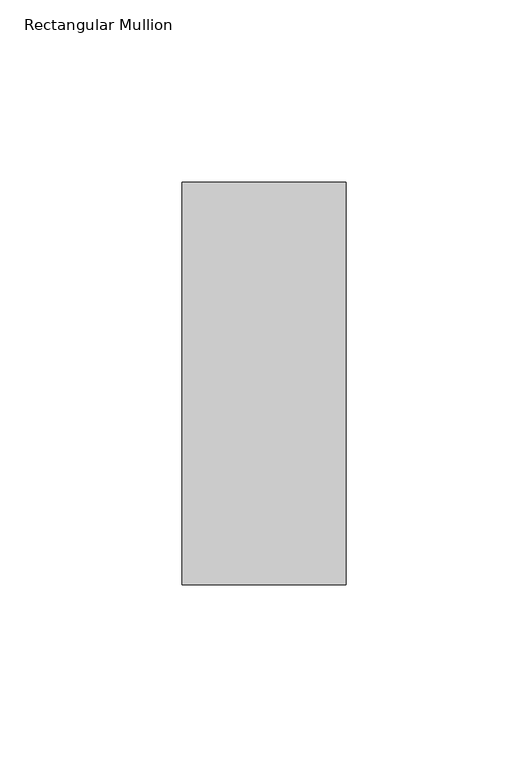
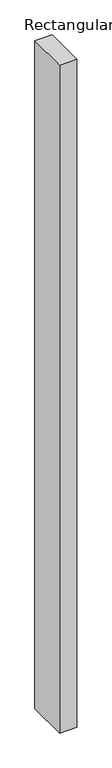
"""IFC4 building model written with IfcOpenShell, lengths in millimetres: member geometry, Rectangular Mullion."""

import ifcopenshell
import ifcopenshell.guid

model = None  # the IFC model being written
_history = None  # IfcOwnerHistory: only IFC2X3 demands one
_inside = {}  # id of a spatial element -> (the spatial element, [elements in it])
_under = {}  # id of a project, library or spatial element -> (it, [spatial elements below it])
_declared = {}  # id of a project -> (the project, [libraries it declares])
_typed = {}  # id of a type object -> (the type object, [elements of that type])
_made_of = {}  # id of a material, layer set ... -> (it, [elements and type objects made of it])


def new_model(schema):
    """Start an empty IFC model of exactly this schema.

    Asked for "IFC4X3", IfcOpenShell would pick the latest addendum, in which some entities
    have other attributes; the version numbers below select the first issue.
    IFC2X3 requires an IfcOwnerHistory on every rooted entity: one is made here for all.
    """
    global model, _history
    if schema == "IFC4X3":
        model = ifcopenshell.file(schema_version=(4, 3, 0, 0))
    else:
        model = ifcopenshell.file(schema=schema)
    _inside.clear()
    _under.clear()
    _declared.clear()
    _typed.clear()
    _made_of.clear()
    _history = None
    if model.schema == "IFC2X3":
        org = make("IfcOrganization", Name="unknown")
        user = make(
            "IfcPersonAndOrganization",
            ThePerson=make("IfcPerson", FamilyName="unknown"),
            TheOrganization=org,
        )
        app = make(
            "IfcApplication",
            ApplicationDeveloper=org,
            Version="unknown",
            ApplicationFullName="unknown",
            ApplicationIdentifier="unknown",
        )
        _history = make(
            "IfcOwnerHistory",
            OwningUser=user,
            OwningApplication=app,
            ChangeAction="ADDED",
            CreationDate=0,
        )
    return model


def make(cls, **values):
    """One entity of the class cls with the attributes given. An attribute that is None is left unset."""
    return model.create_entity(
        cls, **{name: value for name, value in values.items() if value is not None}
    )


def rooted(cls, **values):
    """An entity with a GlobalId (a new one), such as an element, a storey or a relation."""
    return make(cls, GlobalId=ifcopenshell.guid.new(), OwnerHistory=_history, **values)


def si_unit(unit_type, name, prefix=None):
    """IfcSIUnit, for example si_unit("LENGTHUNIT", "METRE", prefix="MILLI")."""
    return make("IfcSIUnit", UnitType=unit_type, Prefix=prefix, Name=name)


def assignment(units):
    """IfcUnitAssignment: the units of a project."""
    return None if units is None else make("IfcUnitAssignment", Units=units)


def point(xyz):
    """IfcCartesianPoint."""
    return None if xyz is None else make("IfcCartesianPoint", Coordinates=xyz)


def direction(xyz):
    """IfcDirection."""
    return None if xyz is None else make("IfcDirection", DirectionRatios=xyz)


def frame(location, z_axis=None, x_axis=None):
    """IfcAxis2Placement3D, a coordinate frame: its origin and axes. An axis left out is left unset."""
    return make(
        "IfcAxis2Placement3D",
        Location=point(location),
        Axis=direction(z_axis),
        RefDirection=direction(x_axis),
    )


def origin():
    """The frame at (0, 0, 0) with its axes left unset."""
    return frame((0.0, 0.0, 0.0))


def place(relative_to, where):
    """IfcLocalPlacement: puts the frame where relative to a parent placement (None: the world)."""
    return make(
        "IfcLocalPlacement", PlacementRelTo=relative_to, RelativePlacement=where
    )


def context(
    kind, dimensions, precision=None, world=None, true_north=None, identifier=None
):
    """IfcGeometricRepresentationContext, for example the 3D "Model" context."""
    return make(
        "IfcGeometricRepresentationContext",
        ContextIdentifier=identifier,
        ContextType=kind,
        CoordinateSpaceDimension=dimensions,
        Precision=precision,
        WorldCoordinateSystem=world,
        TrueNorth=true_north,
    )


def project(units=None, contexts=None):
    """IfcProject with its units and contexts."""
    return rooted(
        "IfcProject",
        Name="project",
        RepresentationContexts=contexts,
        UnitsInContext=assignment(units),
    )


def spatial(cls, under=None, at=None, **own):
    """A site, building, storey or space (cls), placed at a placement, below another one or the project."""
    s = rooted(cls, ObjectPlacement=at, **own)
    if under is not None:
        _under.setdefault(under.id(), (under, []))[1].append(s)
    return s


def polyline(points):
    """IfcPolyline through the points."""
    return make("IfcPolyline", Points=[point(p) for p in points])


def outline(outer, holes=None, kind="AREA"):
    """IfcArbitraryClosedProfileDef: a profile drawn as a closed curve; with holes, ...WithVoids."""
    if holes is None:
        return make("IfcArbitraryClosedProfileDef", ProfileType=kind, OuterCurve=outer)
    return make(
        "IfcArbitraryProfileDefWithVoids",
        ProfileType=kind,
        OuterCurve=outer,
        InnerCurves=holes,
    )


def extrude(swept, where, along, depth):
    """IfcExtrudedAreaSolid: the profile swept, set in the frame where, extruded along a direction by depth."""
    return make(
        "IfcExtrudedAreaSolid",
        SweptArea=swept,
        Position=where,
        ExtrudedDirection=direction(along),
        Depth=depth,
    )


def shape(context_of_items, identifier, shape_type, items):
    """IfcShapeRepresentation: the items that make up one representation, for example the "Body"."""
    return make(
        "IfcShapeRepresentation",
        ContextOfItems=context_of_items,
        RepresentationIdentifier=identifier,
        RepresentationType=shape_type,
        Items=items,
    )


def source(mapping_origin, context_of_items, identifier, shape_type, items):
    """IfcRepresentationMap: a shape defined once, which mapped items show again and again."""
    return make(
        "IfcRepresentationMap",
        MappingOrigin=mapping_origin,
        MappedRepresentation=shape(context_of_items, identifier, shape_type, items),
    )


def transform(
    local_origin,
    x_axis=None,
    y_axis=None,
    z_axis=None,
    scale=None,
    scale2=None,
    scale3=None,
    uniform=True,
):
    """IfcCartesianTransformationOperator3D, or its non-uniform kind. x_axis, y_axis, z_axis: its Axis1, 2, 3."""
    if uniform:
        return make(
            "IfcCartesianTransformationOperator3D",
            Axis1=direction(x_axis),
            Axis2=direction(y_axis),
            LocalOrigin=point(local_origin),
            Scale=scale,
            Axis3=direction(z_axis),
        )
    return make(
        "IfcCartesianTransformationOperator3DnonUniform",
        Axis1=direction(x_axis),
        Axis2=direction(y_axis),
        LocalOrigin=point(local_origin),
        Scale=scale,
        Axis3=direction(z_axis),
        Scale2=scale2,
        Scale3=scale3,
    )


def mapped(mapping_source, mapping_target):
    """IfcMappedItem: shows the shape of a source again, moved by a transform."""
    return make(
        "IfcMappedItem", MappingSource=mapping_source, MappingTarget=mapping_target
    )


def made_of(thing, what):
    """Note that an element or type object is made of a material, layer set ...; save() writes the relation."""
    if what is not None:
        _made_of.setdefault(what.id(), (what, []))[1].append(thing)
    return thing


def element(
    cls,
    number,
    at=None,
    inside=None,
    cuts=None,
    type_object=None,
    material=None,
    context=None,
    identifier="Body",
    shape_type=None,
    held_by="IfcProductDefinitionShape",
    body=None,
    shapes=None,
    **own,
):
    """One element of the class cls, such as IfcWall. Its Tag is "e" and its number.

    at: its placement. inside: the storey or other place that contains it. cuts: it is an
    opening in that element (IfcRelVoidsElement). A single representation is given by context,
    identifier, shape_type and body (its items); several are given by shapes. held_by: the class
    of the entity that holds the representations. save() writes the other relations.
    """
    e = rooted(cls, Tag="e%d" % number, ObjectPlacement=at, **own)
    if body is not None:
        shapes = [shape(context, identifier, shape_type, body)]
    if shapes is not None:
        e.Representation = make(held_by, Representations=shapes)
    if inside is not None:
        _inside.setdefault(inside.id(), (inside, []))[1].append(e)
    if cuts is not None:
        rooted(
            "IfcRelVoidsElement", RelatingBuildingElement=cuts, RelatedOpeningElement=e
        )
    if type_object is not None:
        _typed.setdefault(type_object.id(), (type_object, []))[1].append(e)
    return made_of(e, material)


def aggregate(whole, parts):
    """IfcRelAggregates: a whole, such as a stair, and the parts it consists of."""
    return rooted("IfcRelAggregates", RelatingObject=whole, RelatedObjects=parts)


def save(model, path):
    """Write the relations noted so far, then the file.

    IfcRelAggregates (storeys below a building ...), IfcRelContainedInSpatialStructure (elements
    in a storey), IfcRelDefinesByType, IfcRelAssociatesMaterial and IfcRelDeclares: one each for
    every whole, place, type object, material and project.
    """
    for whole, parts in _under.values():
        aggregate(whole, parts)
    for where, things in _inside.values():
        rooted(
            "IfcRelContainedInSpatialStructure",
            RelatedElements=things,
            RelatingStructure=where,
        )
    for kind, things in _typed.values():
        rooted("IfcRelDefinesByType", RelatedObjects=things, RelatingType=kind)
    for what, things in _made_of.values():
        rooted("IfcRelAssociatesMaterial", RelatedObjects=things, RelatingMaterial=what)
    for by, libraries in _declared.values():
        rooted("IfcRelDeclares", RelatingContext=by, RelatedDefinitions=libraries)
    model.write(path)


def rectangular_mullion_55689e3b(model_context):
    return source(origin(), model_context, "Body", "SweptSolid", [
        extrude(outline(polyline([(0.0, -70.7), (-45.0, -70.7), (-45.0, 39.7), (0.0, 39.7), (0.0, -70.7)])), frame((0.0, 0.0, -1828.8), z_axis=(0.0, 0.0, 1.0), x_axis=(1.0, 0.0, 0.0)), (0.0, 0.0, 1.0), 1828.8),
    ])


if __name__ == "__main__":
    model = new_model("IFC4")
    model_context = context("Model", 3, world=origin())
    ifc_project = project(units=[si_unit("LENGTHUNIT", "METRE", prefix="MILLI")], contexts=[model_context])
    site = spatial("IfcSite", under=ifc_project)
    building = spatial("IfcBuilding", under=site)
    placement = place(None, origin())
    rectangular_mullion_shape = rectangular_mullion_55689e3b(model_context)
    element("IfcMember", 1, ObjectType="Rectangular Mullion", at=placement, inside=building, context=model_context, shape_type="MappedRepresentation", body=[
        mapped(rectangular_mullion_shape, transform((0.0, 0.0, 0.0), x_axis=(1.0, 0.0, 0.0), y_axis=(0.0, 1.0, 0.0), z_axis=(0.0, 0.0, 1.0))),
    ])
    save(model, "model.ifc")
